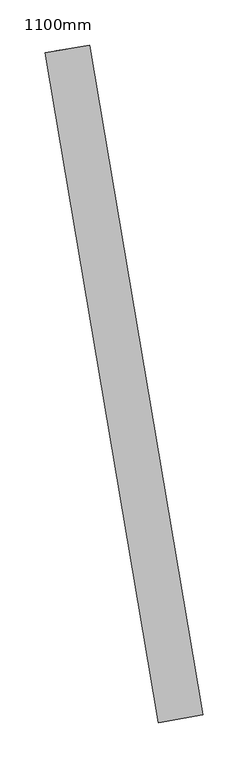
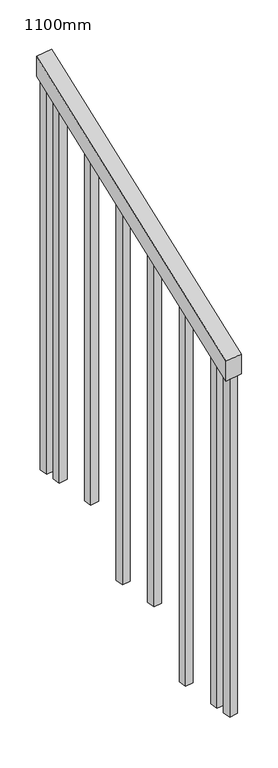
"""IFC4 building model written with IfcOpenShell, lengths in millimetres: railing geometry, 1100mm."""

from ifc_helpers import new_model, si_unit, frame, origin, place, context, project, spatial, polyline, outline, extrude, source, transform, mapped, element, save


def railing_1100mm_b7c8aaa8(model_context):
    return source(origin(), model_context, "Body", "SweptSolid", [
        extrude(outline(polyline([(-35.5555555, -50.0), (0.0, 0.0), (920.2958462, -1e-07), (884.7402906, -50.0), (-35.5555555, -50.0)])), frame((21149.6340226, -150614.8309545, 1277.7777778), z_axis=(0.9859906279333608, 0.1668007243017154, 0.0), x_axis=(-0.13593513841160623, 0.8035383122091727, 0.5795237863600179)), (0.0, 0.0, 1.0), 50.0),
        extrude(outline(polyline([(1271.980277, -25.0), (108.8888889, -25.0), (91.1111112, 0.0), (1271.980277, 0.0), (1271.980277, -25.0)])), frame((21045.1983985, -149922.5525059, 1805.3136103), z_axis=(0.9859906279333609, 0.16680072430171541, 0.0), x_axis=(0.0, 0.0, -1.0)), (0.0, 0.0, 1.0), 25.0),
        extrude(outline(polyline([(1183.0913881, -25.0), (108.8888889, -25.0), (91.1111111, 0.0), (1183.0913881, 0.0), (1183.0913881, -25.0)])), frame((21066.048489, -150045.8013344, 1716.4247214), z_axis=(0.9859906279333609, 0.16680072430171541, 0.0), x_axis=(0.0, 0.0, -1.0)), (0.0, 0.0, 1.0), 25.0),
        extrude(outline(polyline([(1271.9802769, -25.0), (108.8888889, -25.0), (91.1111111, 0.0), (1271.9802769, 0.0), (1271.9802769, -25.0)])), frame((21086.8985795, -150169.0501629, 1627.5358325), z_axis=(0.9859906279333609, 0.16680072430171541, 0.0), x_axis=(0.0, 0.0, -1.0)), (0.0, 0.0, 1.0), 25.0),
        extrude(outline(polyline([(1183.091388, -25.0), (108.8888889, -25.0), (91.1111111, 0.0), (1183.091388, 0.0), (1183.091388, -25.0)])), frame((21107.7486701, -150292.2989914, 1538.6469436), z_axis=(0.9859906279333609, 0.16680072430171541, 0.0), x_axis=(0.0, 0.0, -1.0)), (0.0, 0.0, 1.0), 25.0),
        extrude(outline(polyline([(1271.9802769, -25.0), (108.8888889, -25.0), (91.1111111, 0.0), (1271.9802769, 0.0), (1271.9802769, -25.0)])), frame((21128.5987606, -150415.5478199, 1449.7580547), z_axis=(0.9859906279333609, 0.16680072430171541, 0.0), x_axis=(0.0, 0.0, -1.0)), (0.0, 0.0, 1.0), 25.0),
        extrude(outline(polyline([(1183.091388, -25.0), (108.8888889, -25.0), (91.1111111, 0.0), (1183.091388, 0.0), (1183.091388, -25.0)])), frame((21149.4488512, -150538.7966483, 1360.8691658), z_axis=(0.9859906279333609, 0.16680072430171541, 0.0), x_axis=(0.0, 0.0, -1.0)), (0.0, 0.0, 1.0), 25.0),
        extrude(outline(polyline([(1307.5358325, -25.0), (108.8888889, -25.0), (91.1111111, 0.0), (1307.5358325, 0.0), (1307.5358325, -25.0)])), frame((21036.8583623, -149873.2529745, 1840.8691658), z_axis=(0.9859906279333609, 0.16680072430171541, 0.0), x_axis=(0.0, 0.0, -1.0)), (0.0, 0.0, 1.0), 25.0),
        extrude(outline(polyline([(1147.5358325, -25.0), (108.8888889, -25.0), (91.1111112, 0.0), (1147.5358325, 0.0), (1147.5358325, -25.0)])), frame((21157.7888874, -150588.0961797, 1325.3136103), z_axis=(0.9859906279333609, 0.16680072430171541, 0.0), x_axis=(0.0, 0.0, -1.0)), (0.0, 0.0, 1.0), 25.0),
    ])


if __name__ == "__main__":
    model = new_model("IFC4")
    model_context = context("Model", 3, world=origin())
    ifc_project = project(units=[si_unit("LENGTHUNIT", "METRE", prefix="MILLI")], contexts=[model_context])
    site = spatial("IfcSite", under=ifc_project)
    building = spatial("IfcBuilding", under=site)
    placement = place(None, origin())
    railing_1100mm_shape = railing_1100mm_b7c8aaa8(model_context)
    element("IfcRailing", 1, ObjectType="1100mm", at=placement, inside=building, context=model_context, shape_type="MappedRepresentation", body=[
        mapped(railing_1100mm_shape, transform((0.0, 0.0, 0.0), x_axis=(1.0, 0.0, 0.0), y_axis=(0.0, 1.0, 0.0), z_axis=(0.0, 0.0, 1.0))),
    ])
    save(model, "model.ifc")
